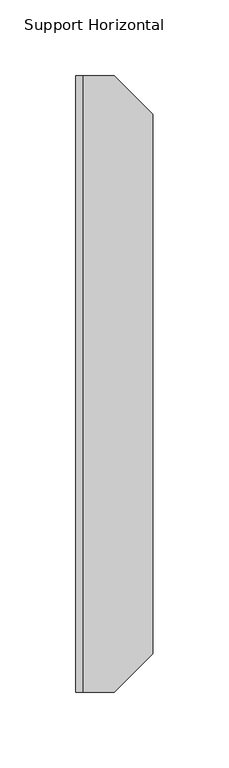
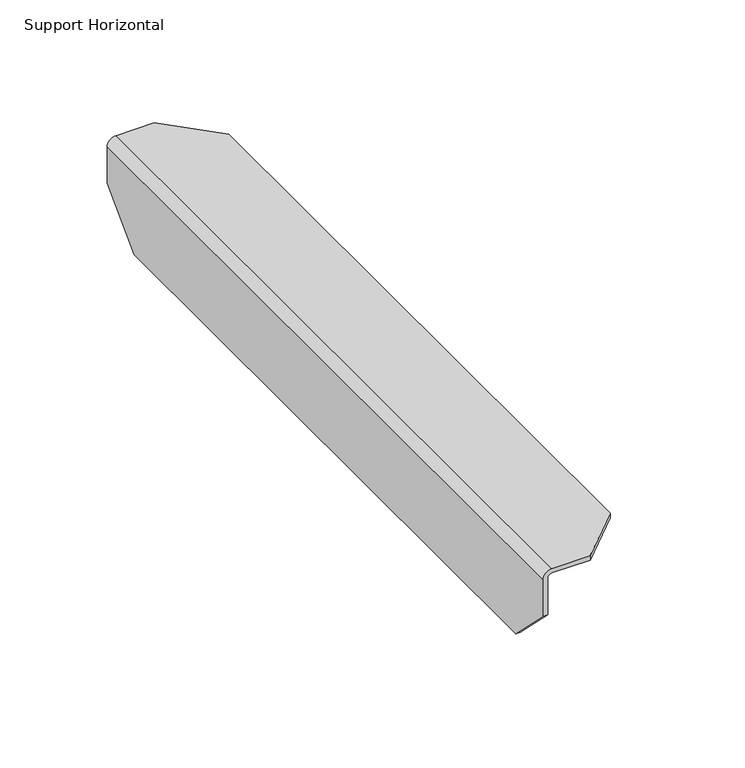
"""IFC4 building model written with IfcOpenShell, lengths in millimetres: furniture geometry, Support Horizontal."""

from ifc_helpers import new_model, si_unit, frame, origin, place, context, project, spatial, polyline, circle_curve, source, transform, mapped, element, save
from ifc_brep_helpers import plane_surface, cylinder_surface, revolved_surface, advanced_brep


def support_horizontal_819b3953(model_context):
    return source(origin(), model_context, "Body", "AdvancedBrep", [
        advanced_brep(
        [(2.4638, -406.4, 20.6502), (4.7498, -406.4, 22.9362), (25.4, -406.4, 22.9362), (25.4, -406.4, 25.4), (4.7498, -406.4, 25.4), (0.0, -406.4, 20.6502), (0.0, -406.4, 0.0), (2.4638, -406.4, 0.0), (0.0, 0.0, 20.6502), (4.7498, 0.0, 25.4), (25.4, 0.0, 25.4), (25.4, 0.0, 22.9362), (4.7498, 0.0, 22.9362), (2.4638, 0.0, 20.6502), (2.4638, 0.0, 0.0), (0.0, 0.0, 0.0), (0.0, -381.0, -25.4), (0.0, -25.4, -25.4), (2.4638, -25.4, -25.4), (2.4638, -381.0, -25.4), (50.8, -25.4, 22.9362), (50.8, -381.0, 22.9362), (50.8, -25.4, 25.4), (50.8, -381.0, 25.4)],
        [
            (0, 1, circle_curve(frame((4.7498, -406.4, 20.6502), z_axis=(0.0, 1.0, 0.0), x_axis=(1.0, 0.0, 0.0)), 2.286)),
            (1, 2),
            (2, 3),
            (3, 4),
            (4, 5, circle_curve(frame((4.7498, -406.4, 20.6502), z_axis=(0.0, -1.0, 0.0), x_axis=(1.0, 0.0, 0.0)), 4.7498)),
            (5, 6),
            (6, 7),
            (7, 0),
            (8, 9, circle_curve(frame((4.7498, 0.0, 20.6502), z_axis=(0.0, 1.0, 0.0), x_axis=(1.0, 0.0, 0.0)), 4.7498)),
            (9, 10),
            (10, 11),
            (11, 12),
            (12, 13, circle_curve(frame((4.7498, 0.0, 20.6502), z_axis=(0.0, -1.0, 0.0), x_axis=(1.0, 0.0, 0.0)), 2.286)),
            (13, 14),
            (14, 15),
            (15, 8),
            (16, 17),
            (17, 18),
            (18, 19),
            (19, 16),
            (13, 0),
            (7, 19),
            (18, 14),
            (12, 1),
            (11, 20),
            (20, 21),
            (21, 2),
            (20, 22),
            (22, 23),
            (23, 21),
            (9, 4),
            (3, 23),
            (22, 10),
            (8, 5),
            (15, 17),
            (16, 6),
        ],
        [
            plane_surface(frame((0.0, -406.4, -25.4), z_axis=(0.0, -1.0, 0.0), x_axis=(1.0, 0.0, 0.0))),
            plane_surface(frame((0.0, 0.0, -25.4), z_axis=(0.0, 1.0, 0.0), x_axis=(-1.0, 0.0, 0.0))),
            plane_surface(frame((0.0, -406.4, -25.4), z_axis=(0.0, 0.0, -1.0), x_axis=(0.0, 1.0, 0.0))),
            plane_surface(frame((2.4638, -406.4, -25.4), z_axis=(1.0, 0.0, 0.0), x_axis=(0.0, 1.0, 0.0))),
            revolved_surface(polyline([(7.0358, 0.0, 20.6502), (7.0358, -406.4, 20.6502)]), (4.7498, 0.0, 20.6502), (0.0, 1.0, 0.0)),
            plane_surface(frame((4.7498, -406.4, 22.9362), z_axis=(0.0, 0.0, -1.0), x_axis=(0.0, 1.0, 0.0))),
            plane_surface(frame((50.8, -406.4, 22.9362), z_axis=(1.0, 0.0, 0.0), x_axis=(0.0, 1.0, 0.0))),
            plane_surface(frame((50.8, -406.4, 25.4), z_axis=(0.0, 0.0, 1.0), x_axis=(0.0, 1.0, 0.0))),
            cylinder_surface(frame((4.7498, 0.0, 20.6502), z_axis=(0.0, -1.0, 0.0), x_axis=(1.0, 0.0, 0.0)), 4.7498),
            plane_surface(frame((0.0, -406.4, 20.6502), z_axis=(-1.0, 0.0, 0.0), x_axis=(0.0, 1.0, 0.0))),
            plane_surface(frame((25.4, 0.0, 25.4), z_axis=(0.7071067811857575, 0.7071067811873375, 0.0), x_axis=(0.0, 0.0, -1.0))),
            plane_surface(frame((50.8, -381.0, 25.4), z_axis=(0.7071067811865472, -0.7071067811865479, 0.0), x_axis=(0.0, 0.0, -1.0))),
            plane_surface(frame((2.4638, 0.0, 0.0), z_axis=(0.0, 0.7071067811851919, -0.7071067811879032), x_axis=(-1.0, 0.0, 0.0))),
            plane_surface(frame((2.4638, -381.0, -25.4), z_axis=(0.0, -0.7071067811852013, -0.7071067811878937), x_axis=(-1.0, 0.0, 0.0))),
        ],
        [
            (0, [[1, 2, 3, 4, 5, 6, 7, 8]]),
            (1, [[9, 10, 11, 12, 13, 14, 15, 16]]),
            (2, [[17, 18, 19, 20]]),
            (3, [[21, -8, 22, -19, 23, -14]]),
            (4, [[-1, -21, -13, 24]]),
            (5, [[-24, -12, 25, 26, 27, -2]]),
            (6, [[-26, 28, 29, 30]]),
            (7, [[31, -4, 32, -29, 33, -10]]),
            (8, [[-5, -31, -9, 34]]),
            (9, [[-34, -16, 35, -17, 36, -6]]),
            (10, [[-11, -33, -28, -25]]),
            (11, [[-3, -27, -30, -32]]),
            (12, [[-15, -23, -18, -35]]),
            (13, [[-7, -36, -20, -22]]),
        ],
    ),
    ])


if __name__ == "__main__":
    model = new_model("IFC4")
    model_context = context("Model", 3, world=origin())
    ifc_project = project(units=[si_unit("LENGTHUNIT", "METRE", prefix="MILLI")], contexts=[model_context])
    site = spatial("IfcSite", under=ifc_project)
    building = spatial("IfcBuilding", under=site)
    placement = place(None, origin())
    support_horizontal_shape = support_horizontal_819b3953(model_context)
    element("IfcFurniture", 1, ObjectType="Support Horizontal", at=placement, inside=building, context=model_context, shape_type="MappedRepresentation", body=[
        mapped(support_horizontal_shape, transform((0.0, 0.0, 0.0), x_axis=(1.0, 0.0, 0.0), y_axis=(0.0, 1.0, 0.0), z_axis=(0.0, 0.0, 1.0))),
    ])
    save(model, "model.ifc")
